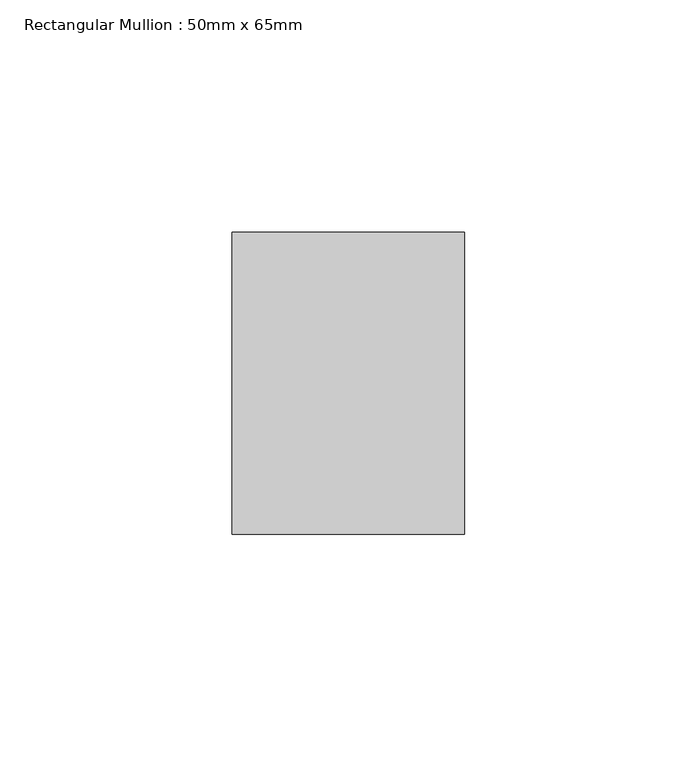
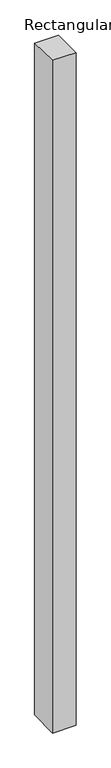
"""IFC4 building model written with IfcOpenShell, lengths in millimetres: member geometry, Rectangular Mullion : 50mm x 65mm."""

from ifc_helpers import new_model, si_unit, origin, place, context, project, spatial, faceted_brep, source, transform, mapped, element, save


def rectangular_mullion_50mm_x_65mm_07d1b61a(model_context):
    return source(origin(), model_context, "Body", "Brep", [
        faceted_brep([(-25.0, 32.5, -0.5637252), (25.0, 32.5, -0.5637245), (25.0, 32.5, -1499.5028865), (-25.0, 32.5, -1499.5028858), (-25.0, -32.5, 0.5637245), (-25.0, -32.5, -1500.4962414), (25.0, -32.5, 0.5637252), (25.0, -32.5, -1500.496242)], [[[0, 1, 2, 3]], [[4, 0, 3, 5]], [[6, 4, 5, 7]], [[1, 6, 7, 2]], [[1, 0, 4, 6]], [[2, 7, 5, 3]]]),
    ])


if __name__ == "__main__":
    model = new_model("IFC4")
    model_context = context("Model", 3, world=origin())
    ifc_project = project(units=[si_unit("LENGTHUNIT", "METRE", prefix="MILLI")], contexts=[model_context])
    site = spatial("IfcSite", under=ifc_project)
    building = spatial("IfcBuilding", under=site)
    placement = place(None, origin())
    rectangular_mullion_50mm_x_65mm_shape = rectangular_mullion_50mm_x_65mm_07d1b61a(model_context)
    element("IfcMember", 1, ObjectType="Rectangular Mullion : 50mm x 65mm", at=placement, inside=building, context=model_context, shape_type="MappedRepresentation", body=[
        mapped(rectangular_mullion_50mm_x_65mm_shape, transform((0.0, 0.0, 0.0), x_axis=(1.0, 0.0, 0.0), y_axis=(0.0, 1.0, 0.0), z_axis=(0.0, 0.0, 1.0))),
    ])
    save(model, "model.ifc")
